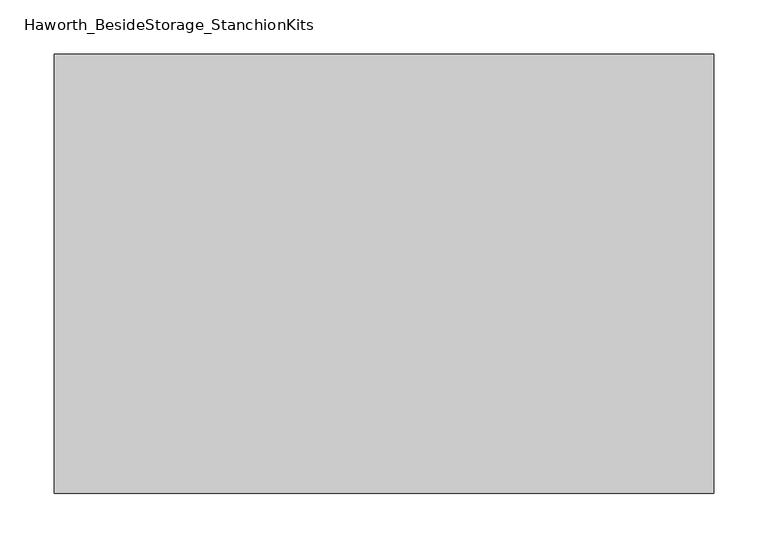
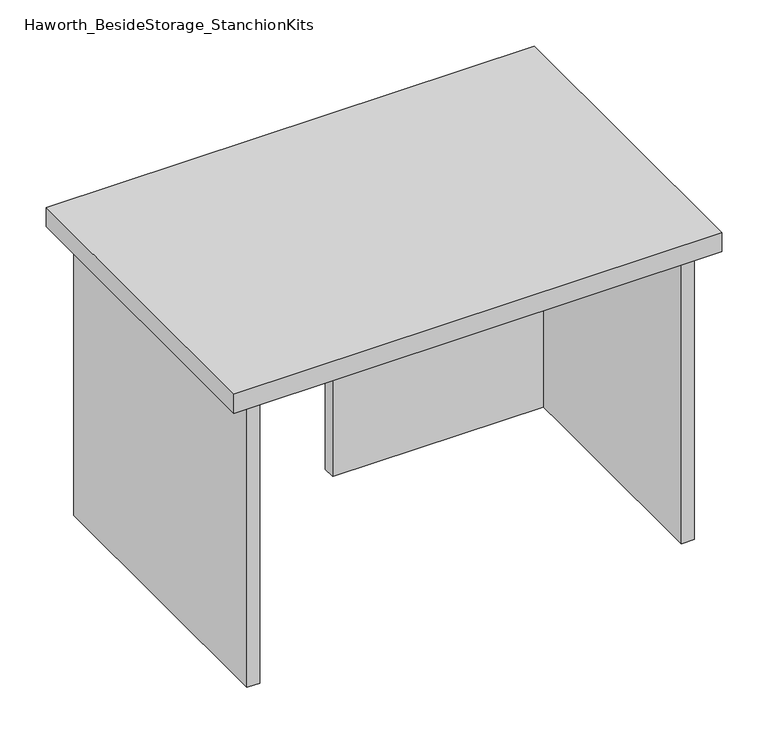
"""IFC4 building model written with IfcOpenShell, lengths in millimetres: furniture geometry, Haworth_BesideStorage_StanchionKits."""

from ifc_helpers import new_model, si_unit, frame, origin, place, context, project, spatial, polyline, outline, extrude, source, transform, mapped, element, save


def haworth_besidestorage_stanchionkits_94dd5d01(model_context):
    return source(origin(), model_context, "Body", "SweptSolid", [
        extrude(outline(polyline([(466.725, 0.0), (466.725, -406.4), (-142.875, -406.4), (-142.875, 0.0), (466.725, 0.0)])), frame((0.0, 0.0, 812.8), z_axis=(0.0, 0.0, 1.0), x_axis=(1.0, 0.0, 0.0)), (0.0, 0.0, 1.0), 25.4),
        extrude(outline(polyline([(161.925, -76.2), (425.45, -76.2), (425.45, -92.075), (161.925, -92.075), (161.925, -76.2)])), frame((0.0, 0.0, 431.8), z_axis=(0.0, 0.0, 1.0), x_axis=(1.0, 0.0, 0.0)), (0.0, 0.0, 1.0), 381.0),
        extrude(outline(polyline([(441.325, -390.525), (425.45, -390.525), (425.45, -15.875), (441.325, -15.875), (441.325, -390.525)])), frame((0.0, 0.0, 431.8), z_axis=(0.0, 0.0, 1.0), x_axis=(1.0, 0.0, 0.0)), (0.0, 0.0, 1.0), 381.0),
        extrude(outline(polyline([(-101.6, -390.525), (-117.475, -390.525), (-117.475, -15.875), (-101.6, -15.875), (-101.6, -390.525)])), frame((0.0, 0.0, 431.8), z_axis=(0.0, 0.0, 1.0), x_axis=(1.0, 0.0, 0.0)), (0.0, 0.0, 1.0), 381.0),
    ])


if __name__ == "__main__":
    model = new_model("IFC4")
    model_context = context("Model", 3, world=origin())
    ifc_project = project(units=[si_unit("LENGTHUNIT", "METRE", prefix="MILLI")], contexts=[model_context])
    site = spatial("IfcSite", under=ifc_project)
    building = spatial("IfcBuilding", under=site)
    placement = place(None, origin())
    haworth_besidestorage_stanchionkits_shape = haworth_besidestorage_stanchionkits_94dd5d01(model_context)
    element("IfcFurniture", 1, ObjectType="Haworth_BesideStorage_StanchionKits", at=placement, inside=building, context=model_context, shape_type="MappedRepresentation", body=[
        mapped(haworth_besidestorage_stanchionkits_shape, transform((0.0, 0.0, 0.0), x_axis=(1.0, 0.0, 0.0), y_axis=(0.0, 1.0, 0.0), z_axis=(0.0, 0.0, 1.0))),
    ])
    save(model, "model.ifc")
